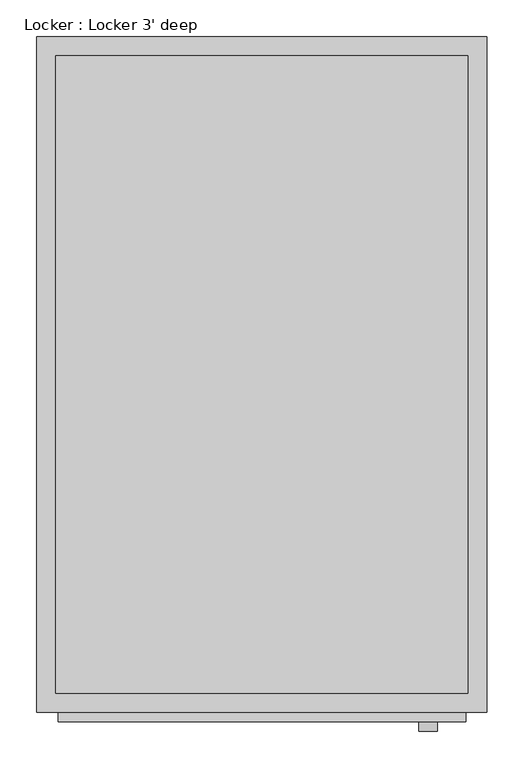
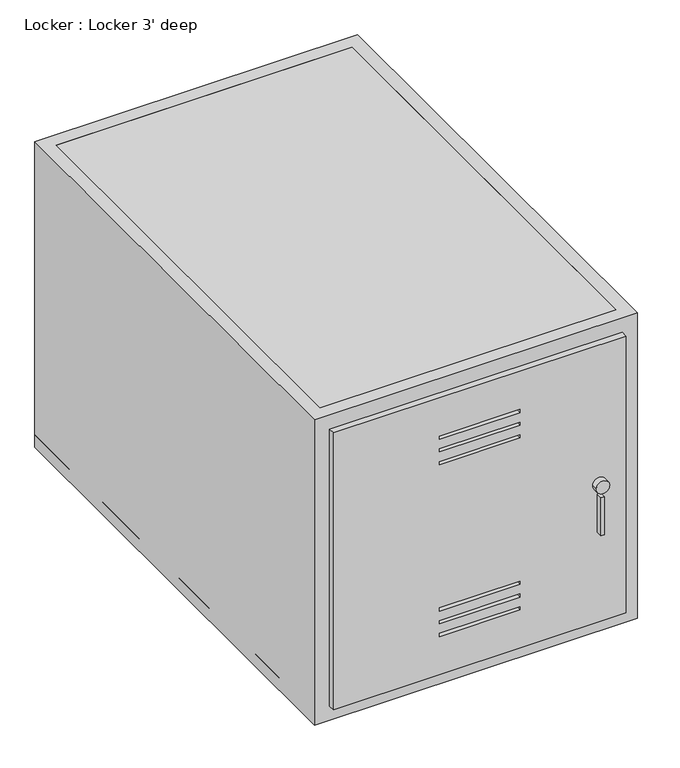
"""IFC4 building model written with IfcOpenShell, lengths in millimetres: proxy geometry, Locker : Locker 3' deep."""

from ifc_helpers import new_model, si_unit, point, frame, frame_2d, origin, origin_with_axes, place, context, project, spatial, polyline, circle_curve, trimmed, segment, composite_curve, outline, extrude, faceted_brep, source, transform, mapped, element, save


def locker_locker_3_deep_3d8d82c5(model_context):
    return source(origin(), model_context, "Body", "SolidModel", [
        extrude(outline(polyline([(581.025, 581.025), (581.025, 28.575), (28.575, 28.575), (28.575, 581.025), (581.025, 581.025)]), holes=[polyline([(504.825, 381.0), (498.475, 381.0), (498.475, 228.6), (504.825, 228.6), (504.825, 381.0)]), polyline([(479.425, 381.0), (473.075, 381.0), (473.075, 228.6), (479.425, 228.6), (479.425, 381.0)]), polyline([(454.025, 381.0), (447.675, 381.0), (447.675, 228.6), (454.025, 228.6), (454.025, 381.0)]), polyline([(111.125, 228.6), (111.125, 381.0), (104.775, 381.0), (104.775, 228.6), (111.125, 228.6)]), polyline([(136.525, 228.6), (136.525, 381.0), (130.175, 381.0), (130.175, 228.6), (136.525, 228.6)]), polyline([(161.925, 228.6), (161.925, 381.0), (155.575, 381.0), (155.575, 228.6), (161.925, 228.6)])]), frame((0.0, -12.7, 0.0), z_axis=(0.0, 1.0, 0.0), x_axis=(0.0, 0.0, 1.0)), (0.0, 0.0, 1.0), 12.7),
        faceted_brep([(609.6, 0.0, 609.6), (609.6, 914.4, 609.6), (0.0, 914.4, 609.6), (0.0, 0.0, 609.6), (25.4, 25.4, 609.6), (25.4, 889.0, 609.6), (584.2, 889.0, 609.6), (584.2, 25.4, 609.6), (609.6, 0.0, 0.0), (0.0, 0.0, 0.0), (0.0, 914.4, 0.0), (609.6, 914.4, 0.0), (25.4, 25.4, 0.0), (584.2, 25.4, 0.0), (584.2, 889.0, 0.0), (25.4, 889.0, 0.0), (381.0, 0.0, 504.825), (381.0, 0.0, 498.475), (228.6, 0.0, 498.475), (228.6, 0.0, 504.825), (381.0, 0.0, 479.425), (381.0, 0.0, 473.075), (228.6, 0.0, 473.075), (228.6, 0.0, 479.425), (381.0, 0.0, 454.025), (381.0, 0.0, 447.675), (228.6, 0.0, 447.675), (228.6, 0.0, 454.025), (228.6, 0.0, 111.125), (381.0, 0.0, 111.125), (381.0, 0.0, 104.775), (228.6, 0.0, 104.775), (228.6, 0.0, 136.525), (381.0, 0.0, 136.525), (381.0, 0.0, 130.175), (228.6, 0.0, 130.175), (228.6, 0.0, 161.925), (381.0, 0.0, 161.925), (381.0, 0.0, 155.575), (228.6, 0.0, 155.575), (381.0, 25.4, 498.475), (381.0, 25.4, 504.825), (228.6, 25.4, 504.825), (228.6, 25.4, 498.475), (381.0, 25.4, 473.075), (381.0, 25.4, 479.425), (228.6, 25.4, 479.425), (228.6, 25.4, 473.075), (381.0, 25.4, 447.675), (381.0, 25.4, 454.025), (228.6, 25.4, 454.025), (228.6, 25.4, 447.675), (381.0, 25.4, 111.125), (228.6, 25.4, 111.125), (228.6, 25.4, 104.775), (381.0, 25.4, 104.775), (381.0, 25.4, 136.525), (228.6, 25.4, 136.525), (228.6, 25.4, 130.175), (381.0, 25.4, 130.175), (381.0, 25.4, 161.925), (228.6, 25.4, 161.925), (228.6, 25.4, 155.575), (381.0, 25.4, 155.575)], [[[0, 1, 2, 3], [4, 5, 6, 7]], [[8, 9, 10, 11], [12, 13, 14, 15]], [[1, 0, 8, 11]], [[2, 1, 11, 10]], [[3, 2, 10, 9]], [[0, 3, 9, 8], [16, 17, 18, 19], [20, 21, 22, 23], [24, 25, 26, 27], [28, 29, 30, 31], [32, 33, 34, 35], [36, 37, 38, 39]], [[5, 4, 12, 15]], [[6, 5, 15, 14]], [[7, 6, 14, 13]], [[4, 7, 13, 12], [40, 41, 42, 43], [44, 45, 46, 47], [48, 49, 50, 51], [52, 53, 54, 55], [56, 57, 58, 59], [60, 61, 62, 63]], [[40, 17, 16, 41]], [[41, 16, 19, 42]], [[42, 19, 18, 43]], [[17, 40, 43, 18]], [[44, 21, 20, 45]], [[45, 20, 23, 46]], [[46, 23, 22, 47]], [[21, 44, 47, 22]], [[48, 25, 24, 49]], [[49, 24, 27, 50]], [[50, 27, 26, 51]], [[25, 48, 51, 26]], [[52, 29, 28, 53]], [[53, 28, 31, 54]], [[54, 31, 30, 55]], [[29, 52, 55, 30]], [[56, 33, 32, 57]], [[57, 32, 35, 58]], [[58, 35, 34, 59]], [[33, 56, 59, 34]], [[60, 37, 36, 61]], [[61, 36, 39, 62]], [[62, 39, 38, 63]], [[37, 60, 63, 38]]]),
        extrude(outline(composite_curve([segment(trimmed(circle_curve(frame_2d((304.8, 530.225)), 12.7), [point((304.8, 517.525))], [point((304.8, 542.925))], False, "CARTESIAN"), True, "CONTINUOUS"), segment(trimmed(circle_curve(frame_2d((304.8, 530.225)), 12.7), [point((304.8, 542.925))], [point((304.8, 517.525))], False, "CARTESIAN"), True, "CONTINUOUS")], self_intersect=False)), frame((0.0, -25.4, 0.0), z_axis=(0.0, 1.0, 0.0), x_axis=(0.0, 0.0, 1.0)), (0.0, 0.0, 1.0), 25.4),
        extrude(outline(polyline([(532.5246157, -25.4), (526.1746157, -25.4), (526.1746157, 0.0), (532.5246157, 0.0), (532.5246157, -25.4)])), frame((0.0, 0.0, 209.1880316), z_axis=(0.0, 0.0, 1.0), x_axis=(1.0, 0.0, 0.0)), (0.0, 0.0, 1.0), 76.2),
        extrude(outline(polyline([(609.6, 914.4), (609.6, 0.0), (0.0, 0.0), (0.0, 914.4), (609.6, 914.4)])), frame((0.0, 0.0, 584.2), z_axis=(0.0, 0.0, 1.0), x_axis=(1.0, 0.0, 0.0)), (0.0, 0.0, 1.0), 25.4),
        extrude(outline(polyline([(609.6, 0.0), (0.0, 0.0), (0.0, 914.4), (609.6, 914.4), (609.6, 0.0)])), origin_with_axes(), (0.0, 0.0, 1.0), 25.4),
    ])


if __name__ == "__main__":
    model = new_model("IFC4")
    model_context = context("Model", 3, world=origin())
    ifc_project = project(units=[si_unit("LENGTHUNIT", "METRE", prefix="MILLI")], contexts=[model_context])
    site = spatial("IfcSite", under=ifc_project)
    building = spatial("IfcBuilding", under=site)
    placement = place(None, origin())
    locker_locker_3_deep_shape = locker_locker_3_deep_3d8d82c5(model_context)
    element("IfcBuildingElementProxy", 1, Name="Locker : Locker 3' deep", ObjectType="Locker : Locker 3' deep", at=placement, inside=building, context=model_context, shape_type="MappedRepresentation", body=[
        mapped(locker_locker_3_deep_shape, transform((0.0, 0.0, 0.0), x_axis=(1.0, 0.0, 0.0), y_axis=(0.0, 1.0, 0.0), z_axis=(0.0, 0.0, 1.0))),
    ])
    save(model, "model.ifc")
